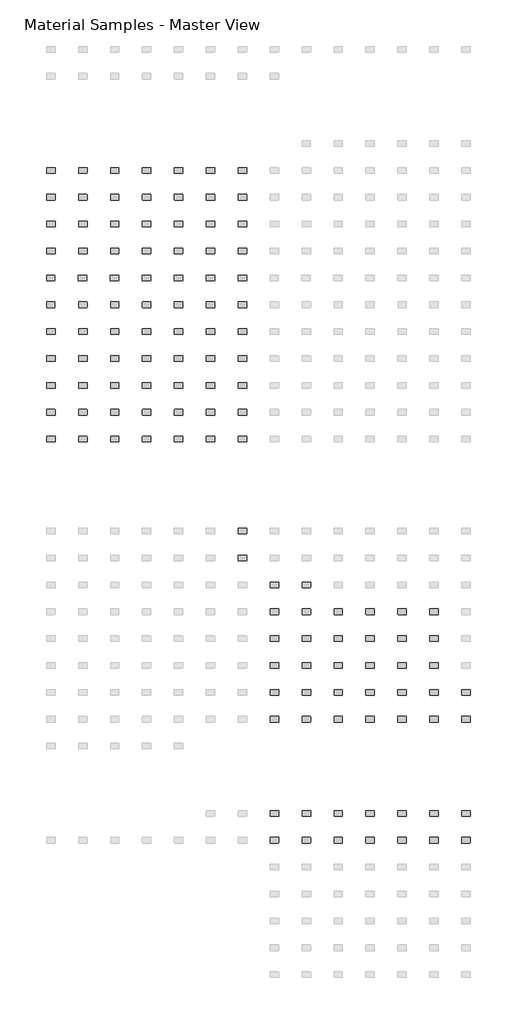
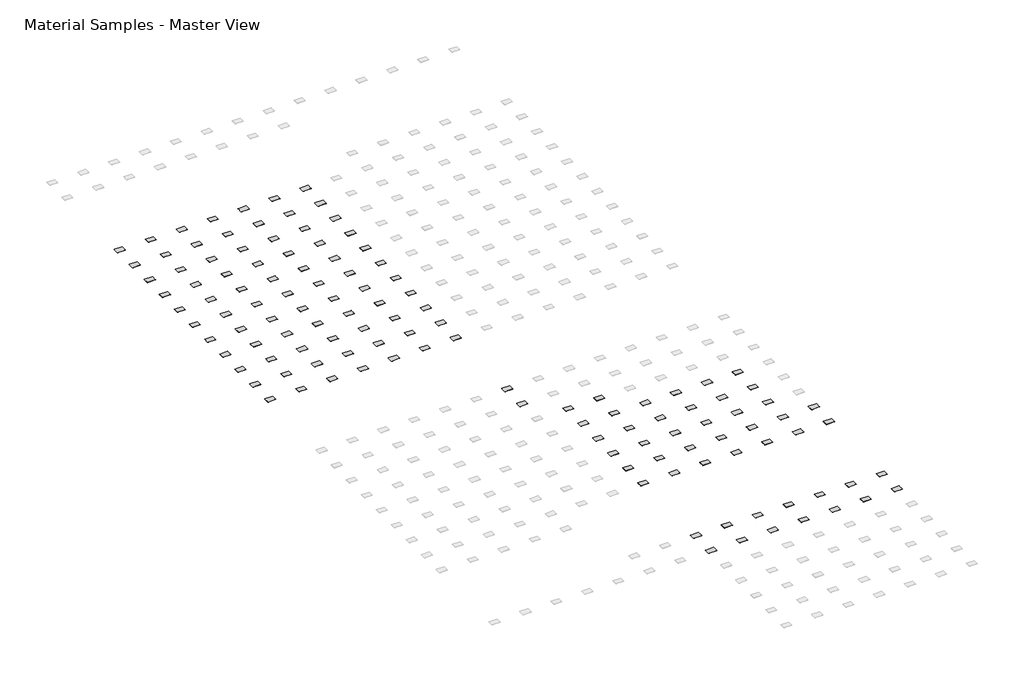
# One storey, part 10 of 12: 127 furniture elements.
"""IFC4 building model written with IfcOpenShell, lengths in millimetres."""

import ifcopenshell
import ifcopenshell.guid

model = None  # the IFC model being written
_history = None  # IfcOwnerHistory: only IFC2X3 demands one
_inside = {}  # id of a spatial element -> (the spatial element, [elements in it])
_under = {}  # id of a project, library or spatial element -> (it, [spatial elements below it])
_declared = {}  # id of a project -> (the project, [libraries it declares])
_typed = {}  # id of a type object -> (the type object, [elements of that type])
_made_of = {}  # id of a material, layer set ... -> (it, [elements and type objects made of it])


def new_model(schema):
    """Start an empty IFC model of exactly this schema.

    Asked for "IFC4X3", IfcOpenShell would pick the latest addendum, in which some entities
    have other attributes; the version numbers below select the first issue.
    IFC2X3 requires an IfcOwnerHistory on every rooted entity: one is made here for all.
    """
    global model, _history
    if schema == "IFC4X3":
        model = ifcopenshell.file(schema_version=(4, 3, 0, 0))
    else:
        model = ifcopenshell.file(schema=schema)
    _inside.clear()
    _under.clear()
    _declared.clear()
    _typed.clear()
    _made_of.clear()
    _history = None
    if model.schema == "IFC2X3":
        org = make("IfcOrganization", Name="unknown")
        user = make(
            "IfcPersonAndOrganization",
            ThePerson=make("IfcPerson", FamilyName="unknown"),
            TheOrganization=org,
        )
        app = make(
            "IfcApplication",
            ApplicationDeveloper=org,
            Version="unknown",
            ApplicationFullName="unknown",
            ApplicationIdentifier="unknown",
        )
        _history = make(
            "IfcOwnerHistory",
            OwningUser=user,
            OwningApplication=app,
            ChangeAction="ADDED",
            CreationDate=0,
        )
    return model


def make(cls, **values):
    """One entity of the class cls with the attributes given. An attribute that is None is left unset."""
    return model.create_entity(
        cls, **{name: value for name, value in values.items() if value is not None}
    )


def rooted(cls, **values):
    """An entity with a GlobalId (a new one), such as an element, a storey or a relation."""
    return make(cls, GlobalId=ifcopenshell.guid.new(), OwnerHistory=_history, **values)


def si_unit(unit_type, name, prefix=None):
    """IfcSIUnit, for example si_unit("LENGTHUNIT", "METRE", prefix="MILLI")."""
    return make("IfcSIUnit", UnitType=unit_type, Prefix=prefix, Name=name)


def assignment(units):
    """IfcUnitAssignment: the units of a project."""
    return None if units is None else make("IfcUnitAssignment", Units=units)


def point(xyz):
    """IfcCartesianPoint."""
    return None if xyz is None else make("IfcCartesianPoint", Coordinates=xyz)


def direction(xyz):
    """IfcDirection."""
    return None if xyz is None else make("IfcDirection", DirectionRatios=xyz)


def frame(location, z_axis=None, x_axis=None):
    """IfcAxis2Placement3D, a coordinate frame: its origin and axes. An axis left out is left unset."""
    return make(
        "IfcAxis2Placement3D",
        Location=point(location),
        Axis=direction(z_axis),
        RefDirection=direction(x_axis),
    )


def frame_2d(location, x_axis=None):
    """IfcAxis2Placement2D, a coordinate frame in the plane: its origin and x axis."""
    return make(
        "IfcAxis2Placement2D", Location=point(location), RefDirection=direction(x_axis)
    )


def origin():
    """The frame at (0, 0, 0) with its axes left unset."""
    return frame((0.0, 0.0, 0.0))


def place(relative_to, where):
    """IfcLocalPlacement: puts the frame where relative to a parent placement (None: the world)."""
    return make(
        "IfcLocalPlacement", PlacementRelTo=relative_to, RelativePlacement=where
    )


def context(
    kind, dimensions, precision=None, world=None, true_north=None, identifier=None
):
    """IfcGeometricRepresentationContext, for example the 3D "Model" context."""
    return make(
        "IfcGeometricRepresentationContext",
        ContextIdentifier=identifier,
        ContextType=kind,
        CoordinateSpaceDimension=dimensions,
        Precision=precision,
        WorldCoordinateSystem=world,
        TrueNorth=true_north,
    )


def project(units=None, contexts=None):
    """IfcProject with its units and contexts."""
    return rooted(
        "IfcProject",
        Name="project",
        RepresentationContexts=contexts,
        UnitsInContext=assignment(units),
    )


def spatial(cls, under=None, at=None, **own):
    """A site, building, storey or space (cls), placed at a placement, below another one or the project."""
    s = rooted(cls, ObjectPlacement=at, **own)
    if under is not None:
        _under.setdefault(under.id(), (under, []))[1].append(s)
    return s


def polyline(points):
    """IfcPolyline through the points."""
    return make("IfcPolyline", Points=[point(p) for p in points])


def circle_curve(where, radius):
    """IfcCircle in the frame where."""
    return make("IfcCircle", Position=where, Radius=radius)


def trimmed(basis, trim1, trim2, sense, master):
    """IfcTrimmedCurve: the piece of a basis curve between two trims."""
    return make(
        "IfcTrimmedCurve",
        BasisCurve=basis,
        Trim1=trim1,
        Trim2=trim2,
        SenseAgreement=sense,
        MasterRepresentation=master,
    )


def segment(curve, same_sense, transition):
    """IfcCompositeCurveSegment."""
    return make(
        "IfcCompositeCurveSegment",
        Transition=transition,
        SameSense=same_sense,
        ParentCurve=curve,
    )


def composite_curve(segments, self_intersect=None):
    """IfcCompositeCurve: segments joined end to end."""
    return make("IfcCompositeCurve", Segments=segments, SelfIntersect=self_intersect)


def outline(outer, holes=None, kind="AREA"):
    """IfcArbitraryClosedProfileDef: a profile drawn as a closed curve; with holes, ...WithVoids."""
    if holes is None:
        return make("IfcArbitraryClosedProfileDef", ProfileType=kind, OuterCurve=outer)
    return make(
        "IfcArbitraryProfileDefWithVoids",
        ProfileType=kind,
        OuterCurve=outer,
        InnerCurves=holes,
    )


def extrude(swept, where, along, depth):
    """IfcExtrudedAreaSolid: the profile swept, set in the frame where, extruded along a direction by depth."""
    return make(
        "IfcExtrudedAreaSolid",
        SweptArea=swept,
        Position=where,
        ExtrudedDirection=direction(along),
        Depth=depth,
    )


def shape(context_of_items, identifier, shape_type, items):
    """IfcShapeRepresentation: the items that make up one representation, for example the "Body"."""
    return make(
        "IfcShapeRepresentation",
        ContextOfItems=context_of_items,
        RepresentationIdentifier=identifier,
        RepresentationType=shape_type,
        Items=items,
    )


def source(mapping_origin, context_of_items, identifier, shape_type, items):
    """IfcRepresentationMap: a shape defined once, which mapped items show again and again."""
    return make(
        "IfcRepresentationMap",
        MappingOrigin=mapping_origin,
        MappedRepresentation=shape(context_of_items, identifier, shape_type, items),
    )


def transform(
    local_origin,
    x_axis=None,
    y_axis=None,
    z_axis=None,
    scale=None,
    scale2=None,
    scale3=None,
    uniform=True,
):
    """IfcCartesianTransformationOperator3D, or its non-uniform kind. x_axis, y_axis, z_axis: its Axis1, 2, 3."""
    if uniform:
        return make(
            "IfcCartesianTransformationOperator3D",
            Axis1=direction(x_axis),
            Axis2=direction(y_axis),
            LocalOrigin=point(local_origin),
            Scale=scale,
            Axis3=direction(z_axis),
        )
    return make(
        "IfcCartesianTransformationOperator3DnonUniform",
        Axis1=direction(x_axis),
        Axis2=direction(y_axis),
        LocalOrigin=point(local_origin),
        Scale=scale,
        Axis3=direction(z_axis),
        Scale2=scale2,
        Scale3=scale3,
    )


def mapped(mapping_source, mapping_target):
    """IfcMappedItem: shows the shape of a source again, moved by a transform."""
    return make(
        "IfcMappedItem", MappingSource=mapping_source, MappingTarget=mapping_target
    )


def made_of(thing, what):
    """Note that an element or type object is made of a material, layer set ...; save() writes the relation."""
    if what is not None:
        _made_of.setdefault(what.id(), (what, []))[1].append(thing)
    return thing


def element(
    cls,
    number,
    at=None,
    inside=None,
    cuts=None,
    type_object=None,
    material=None,
    context=None,
    identifier="Body",
    shape_type=None,
    held_by="IfcProductDefinitionShape",
    body=None,
    shapes=None,
    **own,
):
    """One element of the class cls, such as IfcWall. Its Tag is "e" and its number.

    at: its placement. inside: the storey or other place that contains it. cuts: it is an
    opening in that element (IfcRelVoidsElement). A single representation is given by context,
    identifier, shape_type and body (its items); several are given by shapes. held_by: the class
    of the entity that holds the representations. save() writes the other relations.
    """
    e = rooted(cls, Tag="e%d" % number, ObjectPlacement=at, **own)
    if body is not None:
        shapes = [shape(context, identifier, shape_type, body)]
    if shapes is not None:
        e.Representation = make(held_by, Representations=shapes)
    if inside is not None:
        _inside.setdefault(inside.id(), (inside, []))[1].append(e)
    if cuts is not None:
        rooted(
            "IfcRelVoidsElement", RelatingBuildingElement=cuts, RelatedOpeningElement=e
        )
    if type_object is not None:
        _typed.setdefault(type_object.id(), (type_object, []))[1].append(e)
    return made_of(e, material)


def aggregate(whole, parts):
    """IfcRelAggregates: a whole, such as a stair, and the parts it consists of."""
    return rooted("IfcRelAggregates", RelatingObject=whole, RelatedObjects=parts)


def save(model, path):
    """Write the relations noted so far, then the file.

    IfcRelAggregates (storeys below a building ...), IfcRelContainedInSpatialStructure (elements
    in a storey), IfcRelDefinesByType, IfcRelAssociatesMaterial and IfcRelDeclares: one each for
    every whole, place, type object, material and project.
    """
    for whole, parts in _under.values():
        aggregate(whole, parts)
    for where, things in _inside.values():
        rooted(
            "IfcRelContainedInSpatialStructure",
            RelatedElements=things,
            RelatingStructure=where,
        )
    for kind, things in _typed.values():
        rooted("IfcRelDefinesByType", RelatedObjects=things, RelatingType=kind)
    for what, things in _made_of.values():
        rooted("IfcRelAssociatesMaterial", RelatedObjects=things, RelatingMaterial=what)
    for by, libraries in _declared.values():
        rooted("IfcRelDeclares", RelatingContext=by, RelatedDefinitions=libraries)
    model.write(path)


def furniture_2008_material_sample3_2x3x1_8_96bf408c(model_context):
    return source(origin(), model_context, "Body", "SweptSolid", [
        extrude(outline(composite_curve([segment(trimmed(circle_curve(frame_2d((21215.2392185, 10811.8982463)), 6.35), [point((21215.2392185, 10818.2482463))], [point((21221.5892185, 10811.8982463))], False, "CARTESIAN"), True, "CONTINUOUS"), segment(polyline([(21221.5892185, 10811.8982463), (21221.5892185, 10570.5982463)]), True, "CONTINUOUS"), segment(trimmed(circle_curve(frame_2d((21215.2392185, 10570.5982463)), 6.35), [point((21221.5892185, 10570.5982463))], [point((21215.2392185, 10564.2482463))], False, "CARTESIAN"), True, "CONTINUOUS"), segment(polyline([(21215.2392185, 10564.2482463), (20846.9392185, 10564.2482463)]), True, "CONTINUOUS"), segment(trimmed(circle_curve(frame_2d((20846.9392185, 10570.5982463)), 6.35), [point((20846.9392185, 10564.2482463))], [point((20840.5892185, 10570.5982463))], False, "CARTESIAN"), True, "CONTINUOUS"), segment(polyline([(20840.5892185, 10570.5982463), (20840.5892185, 10811.8982463)]), True, "CONTINUOUS"), segment(trimmed(circle_curve(frame_2d((20846.9392185, 10811.8982463)), 6.35), [point((20840.5892185, 10811.8982463))], [point((20846.9392185, 10818.2482463))], False, "CARTESIAN"), True, "CONTINUOUS"), segment(polyline([(20846.9392185, 10818.2482463), (21215.2392185, 10818.2482463)]), True, "CONTINUOUS")], self_intersect=False)), frame((0.0, 0.0, -3.175), z_axis=(0.0, 0.0, 1.0), x_axis=(1.0, 0.0, 0.0)), (0.0, 0.0, 1.0), 3.175),
    ])


model = new_model("IFC4")

# Units and contexts
model_context = context("Model", 3, world=origin())
ifc_project = project(units=[si_unit("LENGTHUNIT", "METRE", prefix="MILLI")], contexts=[model_context])

# Site, building, storey
site = spatial("IfcSite", under=ifc_project)
building = spatial("IfcBuilding", under=site)
storey = spatial("IfcBuildingStorey", under=building, Name="Material Samples - Master View", Elevation=0.0)

# Furniture
placement = place(None, origin())
furniture_2008_material_sample3_2x3x1_8_shape = furniture_2008_material_sample3_2x3x1_8_96bf408c(model_context)
element("IfcFurniture", 1, ObjectType="2008_Material Sample3 : 2x3x1/8", at=placement, inside=storey, context=model_context, shape_type="MappedRepresentation", body=[
    mapped(furniture_2008_material_sample3_2x3x1_8_shape, transform((-41929.8143121, -419.0275291, 25.4), x_axis=(1.0, 0.0, 0.0), y_axis=(0.0, 1.0, 0.0), z_axis=(0.0, 0.0, 1.0))),
])
element("IfcFurniture", 2, ObjectType="2008_Material Sample3 : 2x3x1/8", at=placement, inside=storey, context=model_context, shape_type="MappedRepresentation", body=[
    mapped(furniture_2008_material_sample3_2x3x1_8_shape, transform((-40482.0143121, -419.0275291, 25.4), x_axis=(1.0, 0.0, 0.0), y_axis=(0.0, 1.0, 0.0), z_axis=(0.0, 0.0, 1.0))),
])
element("IfcFurniture", 3, ObjectType="2008_Material Sample3 : 2x3x1/8", at=placement, inside=storey, context=model_context, shape_type="MappedRepresentation", body=[
    mapped(furniture_2008_material_sample3_2x3x1_8_shape, transform((-39034.2143121, -419.0275291, 25.4), x_axis=(1.0, 0.0, 0.0), y_axis=(0.0, 1.0, 0.0), z_axis=(0.0, 0.0, 1.0))),
])
element("IfcFurniture", 4, ObjectType="2008_Material Sample3 : 2x3x1/8", at=placement, inside=storey, context=model_context, shape_type="MappedRepresentation", body=[
    mapped(furniture_2008_material_sample3_2x3x1_8_shape, transform((-37586.4143121, -419.0275291, 25.4), x_axis=(1.0, 0.0, 0.0), y_axis=(0.0, 1.0, 0.0), z_axis=(0.0, 0.0, 1.0))),
])
element("IfcFurniture", 5, ObjectType="2008_Material Sample3 : 2x3x1/8", at=placement, inside=storey, context=model_context, shape_type="MappedRepresentation", body=[
    mapped(furniture_2008_material_sample3_2x3x1_8_shape, transform((-36138.6143121, -419.0275291, 25.4), x_axis=(1.0, 0.0, 0.0), y_axis=(0.0, 1.0, 0.0), z_axis=(0.0, 0.0, 1.0))),
])
element("IfcFurniture", 6, ObjectType="2008_Material Sample3 : 2x3x1/8", at=placement, inside=storey, context=model_context, shape_type="MappedRepresentation", body=[
    mapped(furniture_2008_material_sample3_2x3x1_8_shape, transform((-34690.8143121, -419.0275291, 25.4), x_axis=(1.0, 0.0, 0.0), y_axis=(0.0, 1.0, 0.0), z_axis=(0.0, 0.0, 1.0))),
])
element("IfcFurniture", 7, ObjectType="2008_Material Sample3 : 2x3x1/8", at=placement, inside=storey, context=model_context, shape_type="MappedRepresentation", body=[
    mapped(furniture_2008_material_sample3_2x3x1_8_shape, transform((-33243.0143121, -419.0275291, 25.4), x_axis=(1.0, 0.0, 0.0), y_axis=(0.0, 1.0, 0.0), z_axis=(0.0, 0.0, 1.0))),
])
element("IfcFurniture", 8, ObjectType="2008_Material Sample3 : 2x3x1/8", at=placement, inside=storey, context=model_context, shape_type="MappedRepresentation", body=[
    mapped(furniture_2008_material_sample3_2x3x1_8_shape, transform((-41929.8143121, -1638.2275291, 25.4), x_axis=(1.0, 0.0, 0.0), y_axis=(0.0, 1.0, 0.0), z_axis=(0.0, 0.0, 1.0))),
])
element("IfcFurniture", 9, ObjectType="2008_Material Sample3 : 2x3x1/8", at=placement, inside=storey, context=model_context, shape_type="MappedRepresentation", body=[
    mapped(furniture_2008_material_sample3_2x3x1_8_shape, transform((-40482.0143121, -1638.2275291, 25.4), x_axis=(1.0, 0.0, 0.0), y_axis=(0.0, 1.0, 0.0), z_axis=(0.0, 0.0, 1.0))),
])
element("IfcFurniture", 10, ObjectType="2008_Material Sample3 : 2x3x1/8", at=placement, inside=storey, context=model_context, shape_type="MappedRepresentation", body=[
    mapped(furniture_2008_material_sample3_2x3x1_8_shape, transform((-39034.2143121, -1638.2275291, 25.4), x_axis=(1.0, 0.0, 0.0), y_axis=(0.0, 1.0, 0.0), z_axis=(0.0, 0.0, 1.0))),
])
element("IfcFurniture", 11, ObjectType="2008_Material Sample3 : 2x3x1/8", at=placement, inside=storey, context=model_context, shape_type="MappedRepresentation", body=[
    mapped(furniture_2008_material_sample3_2x3x1_8_shape, transform((-37586.4143121, -1638.2275291, 25.4), x_axis=(1.0, 0.0, 0.0), y_axis=(0.0, 1.0, 0.0), z_axis=(0.0, 0.0, 1.0))),
])
element("IfcFurniture", 12, ObjectType="2008_Material Sample3 : 2x3x1/8", at=placement, inside=storey, context=model_context, shape_type="MappedRepresentation", body=[
    mapped(furniture_2008_material_sample3_2x3x1_8_shape, transform((-36138.6143121, -1638.2275291, 25.4), x_axis=(1.0, 0.0, 0.0), y_axis=(0.0, 1.0, 0.0), z_axis=(0.0, 0.0, 1.0))),
])
element("IfcFurniture", 13, ObjectType="2008_Material Sample3 : 2x3x1/8", at=placement, inside=storey, context=model_context, shape_type="MappedRepresentation", body=[
    mapped(furniture_2008_material_sample3_2x3x1_8_shape, transform((-34690.8143121, -1638.2275291, 25.4), x_axis=(1.0, 0.0, 0.0), y_axis=(0.0, 1.0, 0.0), z_axis=(0.0, 0.0, 1.0))),
])
element("IfcFurniture", 14, ObjectType="2008_Material Sample3 : 2x3x1/8", at=placement, inside=storey, context=model_context, shape_type="MappedRepresentation", body=[
    mapped(furniture_2008_material_sample3_2x3x1_8_shape, transform((-33243.0143121, -1638.2275291, 25.4), x_axis=(1.0, 0.0, 0.0), y_axis=(0.0, 1.0, 0.0), z_axis=(0.0, 0.0, 1.0))),
])
element("IfcFurniture", 15, ObjectType="2008_Material Sample3 : 2x3x1/8", at=placement, inside=storey, context=model_context, shape_type="MappedRepresentation", body=[
    mapped(furniture_2008_material_sample3_2x3x1_8_shape, transform((-41929.8143121, -2857.4275291, 25.4), x_axis=(1.0, 0.0, 0.0), y_axis=(0.0, 1.0, 0.0), z_axis=(0.0, 0.0, 1.0))),
])
element("IfcFurniture", 16, ObjectType="2008_Material Sample3 : 2x3x1/8", at=placement, inside=storey, context=model_context, shape_type="MappedRepresentation", body=[
    mapped(furniture_2008_material_sample3_2x3x1_8_shape, transform((-40482.0143121, -2857.4275291, 25.4), x_axis=(1.0, 0.0, 0.0), y_axis=(0.0, 1.0, 0.0), z_axis=(0.0, 0.0, 1.0))),
])
element("IfcFurniture", 17, ObjectType="2008_Material Sample3 : 2x3x1/8", at=placement, inside=storey, context=model_context, shape_type="MappedRepresentation", body=[
    mapped(furniture_2008_material_sample3_2x3x1_8_shape, transform((-39034.2143121, -2857.4275291, 25.4), x_axis=(1.0, 0.0, 0.0), y_axis=(0.0, 1.0, 0.0), z_axis=(0.0, 0.0, 1.0))),
])
element("IfcFurniture", 18, ObjectType="2008_Material Sample3 : 2x3x1/8", at=placement, inside=storey, context=model_context, shape_type="MappedRepresentation", body=[
    mapped(furniture_2008_material_sample3_2x3x1_8_shape, transform((-37586.4143121, -2857.4275291, 25.4), x_axis=(1.0, 0.0, 0.0), y_axis=(0.0, 1.0, 0.0), z_axis=(0.0, 0.0, 1.0))),
])
element("IfcFurniture", 19, ObjectType="2008_Material Sample3 : 2x3x1/8", at=placement, inside=storey, context=model_context, shape_type="MappedRepresentation", body=[
    mapped(furniture_2008_material_sample3_2x3x1_8_shape, transform((-36138.6143121, -2857.4275291, 25.4), x_axis=(1.0, 0.0, 0.0), y_axis=(0.0, 1.0, 0.0), z_axis=(0.0, 0.0, 1.0))),
])
element("IfcFurniture", 20, ObjectType="2008_Material Sample3 : 2x3x1/8", at=placement, inside=storey, context=model_context, shape_type="MappedRepresentation", body=[
    mapped(furniture_2008_material_sample3_2x3x1_8_shape, transform((-34690.8143121, -2857.4275291, 25.4), x_axis=(1.0, 0.0, 0.0), y_axis=(0.0, 1.0, 0.0), z_axis=(0.0, 0.0, 1.0))),
])
element("IfcFurniture", 21, ObjectType="2008_Material Sample3 : 2x3x1/8", at=placement, inside=storey, context=model_context, shape_type="MappedRepresentation", body=[
    mapped(furniture_2008_material_sample3_2x3x1_8_shape, transform((-33243.0143121, -2857.4275291, 25.4), x_axis=(1.0, 0.0, 0.0), y_axis=(0.0, 1.0, 0.0), z_axis=(0.0, 0.0, 1.0))),
])
element("IfcFurniture", 22, ObjectType="2008_Material Sample3 : 2x3x1/8", at=placement, inside=storey, context=model_context, shape_type="MappedRepresentation", body=[
    mapped(furniture_2008_material_sample3_2x3x1_8_shape, transform((-41929.8143121, -4076.6275291, 25.4), x_axis=(1.0, 0.0, 0.0), y_axis=(0.0, 1.0, 0.0), z_axis=(0.0, 0.0, 1.0))),
])
element("IfcFurniture", 23, ObjectType="2008_Material Sample3 : 2x3x1/8", at=placement, inside=storey, context=model_context, shape_type="MappedRepresentation", body=[
    mapped(furniture_2008_material_sample3_2x3x1_8_shape, transform((-40482.0143121, -4076.6275291, 25.4), x_axis=(1.0, 0.0, 0.0), y_axis=(0.0, 1.0, 0.0), z_axis=(0.0, 0.0, 1.0))),
])
element("IfcFurniture", 24, ObjectType="2008_Material Sample3 : 2x3x1/8", at=placement, inside=storey, context=model_context, shape_type="MappedRepresentation", body=[
    mapped(furniture_2008_material_sample3_2x3x1_8_shape, transform((-39034.2143121, -4076.6275291, 25.4), x_axis=(1.0, 0.0, 0.0), y_axis=(0.0, 1.0, 0.0), z_axis=(0.0, 0.0, 1.0))),
])
element("IfcFurniture", 25, ObjectType="2008_Material Sample3 : 2x3x1/8", at=placement, inside=storey, context=model_context, shape_type="MappedRepresentation", body=[
    mapped(furniture_2008_material_sample3_2x3x1_8_shape, transform((-37586.4143121, -4076.6275291, 25.4), x_axis=(1.0, 0.0, 0.0), y_axis=(0.0, 1.0, 0.0), z_axis=(0.0, 0.0, 1.0))),
])
element("IfcFurniture", 26, ObjectType="2008_Material Sample3 : 2x3x1/8", at=placement, inside=storey, context=model_context, shape_type="MappedRepresentation", body=[
    mapped(furniture_2008_material_sample3_2x3x1_8_shape, transform((-36138.6143121, -4076.6275291, 25.4), x_axis=(1.0, 0.0, 0.0), y_axis=(0.0, 1.0, 0.0), z_axis=(0.0, 0.0, 1.0))),
])
element("IfcFurniture", 27, ObjectType="2008_Material Sample3 : 2x3x1/8", at=placement, inside=storey, context=model_context, shape_type="MappedRepresentation", body=[
    mapped(furniture_2008_material_sample3_2x3x1_8_shape, transform((-34690.8143121, -4076.6275291, 25.4), x_axis=(1.0, 0.0, 0.0), y_axis=(0.0, 1.0, 0.0), z_axis=(0.0, 0.0, 1.0))),
])
element("IfcFurniture", 28, ObjectType="2008_Material Sample3 : 2x3x1/8", at=placement, inside=storey, context=model_context, shape_type="MappedRepresentation", body=[
    mapped(furniture_2008_material_sample3_2x3x1_8_shape, transform((-33243.0143121, -4076.6275291, 25.4), x_axis=(1.0, 0.0, 0.0), y_axis=(0.0, 1.0, 0.0), z_axis=(0.0, 0.0, 1.0))),
])
element("IfcFurniture", 29, ObjectType="2008_Material Sample3 : 2x3x1/8", at=placement, inside=storey, context=model_context, shape_type="MappedRepresentation", body=[
    mapped(furniture_2008_material_sample3_2x3x1_8_shape, transform((-41936.1643121, -5295.8275291, 25.4), x_axis=(1.0, 0.0, 0.0), y_axis=(0.0, 1.0, 0.0), z_axis=(0.0, 0.0, 1.0))),
])
element("IfcFurniture", 30, ObjectType="2008_Material Sample3 : 2x3x1/8", at=placement, inside=storey, context=model_context, shape_type="MappedRepresentation", body=[
    mapped(furniture_2008_material_sample3_2x3x1_8_shape, transform((-40488.3643121, -5295.8275291, 25.4), x_axis=(1.0, 0.0, 0.0), y_axis=(0.0, 1.0, 0.0), z_axis=(0.0, 0.0, 1.0))),
])
element("IfcFurniture", 31, ObjectType="2008_Material Sample3 : 2x3x1/8", at=placement, inside=storey, context=model_context, shape_type="MappedRepresentation", body=[
    mapped(furniture_2008_material_sample3_2x3x1_8_shape, transform((-39040.5643121, -5295.8275291, 25.4), x_axis=(1.0, 0.0, 0.0), y_axis=(0.0, 1.0, 0.0), z_axis=(0.0, 0.0, 1.0))),
])
element("IfcFurniture", 32, ObjectType="2008_Material Sample3 : 2x3x1/8", at=placement, inside=storey, context=model_context, shape_type="MappedRepresentation", body=[
    mapped(furniture_2008_material_sample3_2x3x1_8_shape, transform((-37592.7643121, -5295.8275291, 25.4), x_axis=(1.0, 0.0, 0.0), y_axis=(0.0, 1.0, 0.0), z_axis=(0.0, 0.0, 1.0))),
])
element("IfcFurniture", 33, ObjectType="2008_Material Sample3 : 2x3x1/8", at=placement, inside=storey, context=model_context, shape_type="MappedRepresentation", body=[
    mapped(furniture_2008_material_sample3_2x3x1_8_shape, transform((-36144.9643121, -5295.8275291, 25.4), x_axis=(1.0, 0.0, 0.0), y_axis=(0.0, 1.0, 0.0), z_axis=(0.0, 0.0, 1.0))),
])
element("IfcFurniture", 34, ObjectType="2008_Material Sample3 : 2x3x1/8", at=placement, inside=storey, context=model_context, shape_type="MappedRepresentation", body=[
    mapped(furniture_2008_material_sample3_2x3x1_8_shape, transform((-34697.1643121, -5295.8275291, 25.4), x_axis=(1.0, 0.0, 0.0), y_axis=(0.0, 1.0, 0.0), z_axis=(0.0, 0.0, 1.0))),
])
element("IfcFurniture", 35, ObjectType="2008_Material Sample3 : 2x3x1/8", at=placement, inside=storey, context=model_context, shape_type="MappedRepresentation", body=[
    mapped(furniture_2008_material_sample3_2x3x1_8_shape, transform((-33249.3643121, -5295.8275291, 25.4), x_axis=(1.0, 0.0, 0.0), y_axis=(0.0, 1.0, 0.0), z_axis=(0.0, 0.0, 1.0))),
])
element("IfcFurniture", 36, ObjectType="2008_Material Sample3 : 2x3x1/8", at=placement, inside=storey, context=model_context, shape_type="MappedRepresentation", body=[
    mapped(furniture_2008_material_sample3_2x3x1_8_shape, transform((-41936.2750935, -6515.0275291, 25.4), x_axis=(1.0, 0.0, 0.0), y_axis=(0.0, 1.0, 0.0), z_axis=(0.0, 0.0, 1.0))),
])
element("IfcFurniture", 37, ObjectType="2008_Material Sample3 : 2x3x1/8", at=placement, inside=storey, context=model_context, shape_type="MappedRepresentation", body=[
    mapped(furniture_2008_material_sample3_2x3x1_8_shape, transform((-40482.0143121, -6515.0275291, 25.4), x_axis=(1.0, 0.0, 0.0), y_axis=(0.0, 1.0, 0.0), z_axis=(0.0, 0.0, 1.0))),
])
element("IfcFurniture", 38, ObjectType="2008_Material Sample3 : 2x3x1/8", at=placement, inside=storey, context=model_context, shape_type="MappedRepresentation", body=[
    mapped(furniture_2008_material_sample3_2x3x1_8_shape, transform((-39034.2143121, -6515.0275291, 25.4), x_axis=(1.0, 0.0, 0.0), y_axis=(0.0, 1.0, 0.0), z_axis=(0.0, 0.0, 1.0))),
])
element("IfcFurniture", 39, ObjectType="2008_Material Sample3 : 2x3x1/8", at=placement, inside=storey, context=model_context, shape_type="MappedRepresentation", body=[
    mapped(furniture_2008_material_sample3_2x3x1_8_shape, transform((-37586.4143121, -6515.0275291, 25.4), x_axis=(1.0, 0.0, 0.0), y_axis=(0.0, 1.0, 0.0), z_axis=(0.0, 0.0, 1.0))),
])
element("IfcFurniture", 40, ObjectType="2008_Material Sample3 : 2x3x1/8", at=placement, inside=storey, context=model_context, shape_type="MappedRepresentation", body=[
    mapped(furniture_2008_material_sample3_2x3x1_8_shape, transform((-36138.6143121, -6515.0275291, 25.4), x_axis=(1.0, 0.0, 0.0), y_axis=(0.0, 1.0, 0.0), z_axis=(0.0, 0.0, 1.0))),
])
element("IfcFurniture", 41, ObjectType="2008_Material Sample3 : 2x3x1/8", at=placement, inside=storey, context=model_context, shape_type="MappedRepresentation", body=[
    mapped(furniture_2008_material_sample3_2x3x1_8_shape, transform((-34690.8143121, -6515.0275291, 25.4), x_axis=(1.0, 0.0, 0.0), y_axis=(0.0, 1.0, 0.0), z_axis=(0.0, 0.0, 1.0))),
])
element("IfcFurniture", 42, ObjectType="2008_Material Sample3 : 2x3x1/8", at=placement, inside=storey, context=model_context, shape_type="MappedRepresentation", body=[
    mapped(furniture_2008_material_sample3_2x3x1_8_shape, transform((-33243.0143121, -6515.0275291, 25.4), x_axis=(1.0, 0.0, 0.0), y_axis=(0.0, 1.0, 0.0), z_axis=(0.0, 0.0, 1.0))),
])
element("IfcFurniture", 43, ObjectType="2008_Material Sample3 : 2x3x1/8", at=placement, inside=storey, context=model_context, shape_type="MappedRepresentation", body=[
    mapped(furniture_2008_material_sample3_2x3x1_8_shape, transform((-41929.8143121, -7734.2275291, 25.4), x_axis=(1.0, 0.0, 0.0), y_axis=(0.0, 1.0, 0.0), z_axis=(0.0, 0.0, 1.0))),
])
element("IfcFurniture", 44, ObjectType="2008_Material Sample3 : 2x3x1/8", at=placement, inside=storey, context=model_context, shape_type="MappedRepresentation", body=[
    mapped(furniture_2008_material_sample3_2x3x1_8_shape, transform((-40482.0143121, -7734.2275291, 25.4), x_axis=(1.0, 0.0, 0.0), y_axis=(0.0, 1.0, 0.0), z_axis=(0.0, 0.0, 1.0))),
])
element("IfcFurniture", 45, ObjectType="2008_Material Sample3 : 2x3x1/8", at=placement, inside=storey, context=model_context, shape_type="MappedRepresentation", body=[
    mapped(furniture_2008_material_sample3_2x3x1_8_shape, transform((-39034.2143121, -7734.2275291, 25.4), x_axis=(1.0, 0.0, 0.0), y_axis=(0.0, 1.0, 0.0), z_axis=(0.0, 0.0, 1.0))),
])
element("IfcFurniture", 46, ObjectType="2008_Material Sample3 : 2x3x1/8", at=placement, inside=storey, context=model_context, shape_type="MappedRepresentation", body=[
    mapped(furniture_2008_material_sample3_2x3x1_8_shape, transform((-37586.4143121, -7734.2275291, 25.4), x_axis=(1.0, 0.0, 0.0), y_axis=(0.0, 1.0, 0.0), z_axis=(0.0, 0.0, 1.0))),
])
element("IfcFurniture", 47, ObjectType="2008_Material Sample3 : 2x3x1/8", at=placement, inside=storey, context=model_context, shape_type="MappedRepresentation", body=[
    mapped(furniture_2008_material_sample3_2x3x1_8_shape, transform((-36138.6143121, -7734.2275291, 25.4), x_axis=(1.0, 0.0, 0.0), y_axis=(0.0, 1.0, 0.0), z_axis=(0.0, 0.0, 1.0))),
])
element("IfcFurniture", 48, ObjectType="2008_Material Sample3 : 2x3x1/8", at=placement, inside=storey, context=model_context, shape_type="MappedRepresentation", body=[
    mapped(furniture_2008_material_sample3_2x3x1_8_shape, transform((-34690.8143121, -7734.2275291, 25.4), x_axis=(1.0, 0.0, 0.0), y_axis=(0.0, 1.0, 0.0), z_axis=(0.0, 0.0, 1.0))),
])
element("IfcFurniture", 49, ObjectType="2008_Material Sample3 : 2x3x1/8", at=placement, inside=storey, context=model_context, shape_type="MappedRepresentation", body=[
    mapped(furniture_2008_material_sample3_2x3x1_8_shape, transform((-33243.0143121, -7734.2275291, 25.4), x_axis=(1.0, 0.0, 0.0), y_axis=(0.0, 1.0, 0.0), z_axis=(0.0, 0.0, 1.0))),
])
element("IfcFurniture", 50, ObjectType="2008_Material Sample3 : 2x3x1/8", at=placement, inside=storey, context=model_context, shape_type="MappedRepresentation", body=[
    mapped(furniture_2008_material_sample3_2x3x1_8_shape, transform((-40482.0143121, -8953.4275291, 25.4), x_axis=(1.0, 0.0, 0.0), y_axis=(0.0, 1.0, 0.0), z_axis=(0.0, 0.0, 1.0))),
])
element("IfcFurniture", 51, ObjectType="2008_Material Sample3 : 2x3x1/8", at=placement, inside=storey, context=model_context, shape_type="MappedRepresentation", body=[
    mapped(furniture_2008_material_sample3_2x3x1_8_shape, transform((-39034.2143121, -8953.4275291, 25.4), x_axis=(1.0, 0.0, 0.0), y_axis=(0.0, 1.0, 0.0), z_axis=(0.0, 0.0, 1.0))),
])
element("IfcFurniture", 52, ObjectType="2008_Material Sample3 : 2x3x1/8", at=placement, inside=storey, context=model_context, shape_type="MappedRepresentation", body=[
    mapped(furniture_2008_material_sample3_2x3x1_8_shape, transform((-37586.4143121, -8953.4275291, 25.4), x_axis=(1.0, 0.0, 0.0), y_axis=(0.0, 1.0, 0.0), z_axis=(0.0, 0.0, 1.0))),
])
element("IfcFurniture", 53, ObjectType="2008_Material Sample3 : 2x3x1/8", at=placement, inside=storey, context=model_context, shape_type="MappedRepresentation", body=[
    mapped(furniture_2008_material_sample3_2x3x1_8_shape, transform((-36138.6143121, -8953.4275291, 25.4), x_axis=(1.0, 0.0, 0.0), y_axis=(0.0, 1.0, 0.0), z_axis=(0.0, 0.0, 1.0))),
])
element("IfcFurniture", 54, ObjectType="2008_Material Sample3 : 2x3x1/8", at=placement, inside=storey, context=model_context, shape_type="MappedRepresentation", body=[
    mapped(furniture_2008_material_sample3_2x3x1_8_shape, transform((-34690.8143121, -8953.4275291, 25.4), x_axis=(1.0, 0.0, 0.0), y_axis=(0.0, 1.0, 0.0), z_axis=(0.0, 0.0, 1.0))),
])
element("IfcFurniture", 55, ObjectType="2008_Material Sample3 : 2x3x1/8", at=placement, inside=storey, context=model_context, shape_type="MappedRepresentation", body=[
    mapped(furniture_2008_material_sample3_2x3x1_8_shape, transform((-33243.0143121, -8953.4275291, 25.4), x_axis=(1.0, 0.0, 0.0), y_axis=(0.0, 1.0, 0.0), z_axis=(0.0, 0.0, 1.0))),
])
element("IfcFurniture", 56, ObjectType="2008_Material Sample3 : 2x3x1/8", at=placement, inside=storey, context=model_context, shape_type="MappedRepresentation", body=[
    mapped(furniture_2008_material_sample3_2x3x1_8_shape, transform((-41929.8143121, -10172.6275291, 25.4), x_axis=(1.0, 0.0, 0.0), y_axis=(0.0, 1.0, 0.0), z_axis=(0.0, 0.0, 1.0))),
])
element("IfcFurniture", 57, ObjectType="2008_Material Sample3 : 2x3x1/8", at=placement, inside=storey, context=model_context, shape_type="MappedRepresentation", body=[
    mapped(furniture_2008_material_sample3_2x3x1_8_shape, transform((-40482.0143121, -10172.6275291, 25.4), x_axis=(1.0, 0.0, 0.0), y_axis=(0.0, 1.0, 0.0), z_axis=(0.0, 0.0, 1.0))),
])
element("IfcFurniture", 58, ObjectType="2008_Material Sample3 : 2x3x1/8", at=placement, inside=storey, context=model_context, shape_type="MappedRepresentation", body=[
    mapped(furniture_2008_material_sample3_2x3x1_8_shape, transform((-39034.2143121, -10172.6275291, 25.4), x_axis=(1.0, 0.0, 0.0), y_axis=(0.0, 1.0, 0.0), z_axis=(0.0, 0.0, 1.0))),
])
element("IfcFurniture", 59, ObjectType="2008_Material Sample3 : 2x3x1/8", at=placement, inside=storey, context=model_context, shape_type="MappedRepresentation", body=[
    mapped(furniture_2008_material_sample3_2x3x1_8_shape, transform((-37586.4143121, -10172.6275291, 25.4), x_axis=(1.0, 0.0, 0.0), y_axis=(0.0, 1.0, 0.0), z_axis=(0.0, 0.0, 1.0))),
])
element("IfcFurniture", 60, ObjectType="2008_Material Sample3 : 2x3x1/8", at=placement, inside=storey, context=model_context, shape_type="MappedRepresentation", body=[
    mapped(furniture_2008_material_sample3_2x3x1_8_shape, transform((-36138.6143121, -10172.6275291, 25.4), x_axis=(1.0, 0.0, 0.0), y_axis=(0.0, 1.0, 0.0), z_axis=(0.0, 0.0, 1.0))),
])
element("IfcFurniture", 61, ObjectType="2008_Material Sample3 : 2x3x1/8", at=placement, inside=storey, context=model_context, shape_type="MappedRepresentation", body=[
    mapped(furniture_2008_material_sample3_2x3x1_8_shape, transform((-34690.8143121, -10172.6275291, 25.4), x_axis=(1.0, 0.0, 0.0), y_axis=(0.0, 1.0, 0.0), z_axis=(0.0, 0.0, 1.0))),
])
element("IfcFurniture", 62, ObjectType="2008_Material Sample3 : 2x3x1/8", at=placement, inside=storey, context=model_context, shape_type="MappedRepresentation", body=[
    mapped(furniture_2008_material_sample3_2x3x1_8_shape, transform((-33243.0143121, -10172.6275291, 25.4), x_axis=(1.0, 0.0, 0.0), y_axis=(0.0, 1.0, 0.0), z_axis=(0.0, 0.0, 1.0))),
])
element("IfcFurniture", 63, ObjectType="2008_Material Sample3 : 2x3x1/8", at=placement, inside=storey, context=model_context, shape_type="MappedRepresentation", body=[
    mapped(furniture_2008_material_sample3_2x3x1_8_shape, transform((-41929.8143121, -11391.8275291, 25.4), x_axis=(1.0, 0.0, 0.0), y_axis=(0.0, 1.0, 0.0), z_axis=(0.0, 0.0, 1.0))),
])
element("IfcFurniture", 64, ObjectType="2008_Material Sample3 : 2x3x1/8", at=placement, inside=storey, context=model_context, shape_type="MappedRepresentation", body=[
    mapped(furniture_2008_material_sample3_2x3x1_8_shape, transform((-40482.0143121, -11391.8275291, 25.4), x_axis=(1.0, 0.0, 0.0), y_axis=(0.0, 1.0, 0.0), z_axis=(0.0, 0.0, 1.0))),
])
element("IfcFurniture", 65, ObjectType="2008_Material Sample3 : 2x3x1/8", at=placement, inside=storey, context=model_context, shape_type="MappedRepresentation", body=[
    mapped(furniture_2008_material_sample3_2x3x1_8_shape, transform((-39034.2143121, -11391.8275291, 25.4), x_axis=(1.0, 0.0, 0.0), y_axis=(0.0, 1.0, 0.0), z_axis=(0.0, 0.0, 1.0))),
])
element("IfcFurniture", 66, ObjectType="2008_Material Sample3 : 2x3x1/8", at=placement, inside=storey, context=model_context, shape_type="MappedRepresentation", body=[
    mapped(furniture_2008_material_sample3_2x3x1_8_shape, transform((-37586.4143121, -11391.8275291, 25.4), x_axis=(1.0, 0.0, 0.0), y_axis=(0.0, 1.0, 0.0), z_axis=(0.0, 0.0, 1.0))),
])
element("IfcFurniture", 67, ObjectType="2008_Material Sample3 : 2x3x1/8", at=placement, inside=storey, context=model_context, shape_type="MappedRepresentation", body=[
    mapped(furniture_2008_material_sample3_2x3x1_8_shape, transform((-36138.6143121, -11391.8275291, 25.4), x_axis=(1.0, 0.0, 0.0), y_axis=(0.0, 1.0, 0.0), z_axis=(0.0, 0.0, 1.0))),
])
element("IfcFurniture", 68, ObjectType="2008_Material Sample3 : 2x3x1/8", at=placement, inside=storey, context=model_context, shape_type="MappedRepresentation", body=[
    mapped(furniture_2008_material_sample3_2x3x1_8_shape, transform((-34690.8143121, -11391.8275291, 25.4), x_axis=(1.0, 0.0, 0.0), y_axis=(0.0, 1.0, 0.0), z_axis=(0.0, 0.0, 1.0))),
])
element("IfcFurniture", 69, ObjectType="2008_Material Sample3 : 2x3x1/8", at=placement, inside=storey, context=model_context, shape_type="MappedRepresentation", body=[
    mapped(furniture_2008_material_sample3_2x3x1_8_shape, transform((-33243.0143121, -11391.8275291, 25.4), x_axis=(1.0, 0.0, 0.0), y_axis=(0.0, 1.0, 0.0), z_axis=(0.0, 0.0, 1.0))),
])
element("IfcFurniture", 70, ObjectType="2008_Material Sample3 : 2x3x1/8", at=placement, inside=storey, context=model_context, shape_type="MappedRepresentation", body=[
    mapped(furniture_2008_material_sample3_2x3x1_8_shape, transform((-40481.9035306, -12611.0275291, 25.4), x_axis=(1.0, 0.0, 0.0), y_axis=(0.0, 1.0, 0.0), z_axis=(0.0, 0.0, 1.0))),
])
element("IfcFurniture", 71, ObjectType="2008_Material Sample3 : 2x3x1/8", at=placement, inside=storey, context=model_context, shape_type="MappedRepresentation", body=[
    mapped(furniture_2008_material_sample3_2x3x1_8_shape, transform((-39034.1035306, -12611.0275291, 25.4), x_axis=(1.0, 0.0, 0.0), y_axis=(0.0, 1.0, 0.0), z_axis=(0.0, 0.0, 1.0))),
])
element("IfcFurniture", 72, ObjectType="2008_Material Sample3 : 2x3x1/8", at=placement, inside=storey, context=model_context, shape_type="MappedRepresentation", body=[
    mapped(furniture_2008_material_sample3_2x3x1_8_shape, transform((-37586.3035306, -12611.0275291, 25.4), x_axis=(1.0, 0.0, 0.0), y_axis=(0.0, 1.0, 0.0), z_axis=(0.0, 0.0, 1.0))),
])
element("IfcFurniture", 73, ObjectType="2008_Material Sample3 : 2x3x1/8", at=placement, inside=storey, context=model_context, shape_type="MappedRepresentation", body=[
    mapped(furniture_2008_material_sample3_2x3x1_8_shape, transform((-36138.5035306, -12611.0275291, 25.4), x_axis=(1.0, 0.0, 0.0), y_axis=(0.0, 1.0, 0.0), z_axis=(0.0, 0.0, 1.0))),
])
element("IfcFurniture", 74, ObjectType="2008_Material Sample3 : 2x3x1/8", at=placement, inside=storey, context=model_context, shape_type="MappedRepresentation", body=[
    mapped(furniture_2008_material_sample3_2x3x1_8_shape, transform((-34690.7035306, -12611.0275291, 25.4), x_axis=(1.0, 0.0, 0.0), y_axis=(0.0, 1.0, 0.0), z_axis=(0.0, 0.0, 1.0))),
])
element("IfcFurniture", 75, ObjectType="2008_Material Sample3 : 2x3x1/8", at=placement, inside=storey, context=model_context, shape_type="MappedRepresentation", body=[
    mapped(furniture_2008_material_sample3_2x3x1_8_shape, transform((-33242.9035306, -12611.0275291, 25.4), x_axis=(1.0, 0.0, 0.0), y_axis=(0.0, 1.0, 0.0), z_axis=(0.0, 0.0, 1.0))),
])
element("IfcFurniture", 76, ObjectType="2008_Material Sample3 : 2x3x1/8", at=placement, inside=storey, context=model_context, shape_type="MappedRepresentation", body=[
    mapped(furniture_2008_material_sample3_2x3x1_8_shape, transform((-41929.7035306, -12611.0275291, 25.4), x_axis=(1.0, 0.0, 0.0), y_axis=(0.0, 1.0, 0.0), z_axis=(0.0, 0.0, 1.0))),
])
element("IfcFurniture", 77, ObjectType="2008_Material Sample3 : 2x3x1/8", at=placement, inside=storey, context=model_context, shape_type="MappedRepresentation", body=[
    mapped(furniture_2008_material_sample3_2x3x1_8_shape, transform((-41929.8143121, -8953.4275291, 25.4), x_axis=(1.0, 0.0, 0.0), y_axis=(0.0, 1.0, 0.0), z_axis=(0.0, 0.0, 1.0))),
])
element("IfcFurniture", 78, ObjectType="2008_Material Sample4 : 2x3x1/8", at=placement, inside=storey, context=model_context, shape_type="MappedRepresentation", body=[
    mapped(furniture_2008_material_sample3_2x3x1_8_shape, transform((-33242.9035306, -16776.6275291, 25.4), x_axis=(1.0, 0.0, 0.0), y_axis=(0.0, 1.0, 0.0), z_axis=(0.0, 0.0, 1.0))),
])
element("IfcFurniture", 79, ObjectType="2008_Material Sample4 : 2x3x1/8", at=placement, inside=storey, context=model_context, shape_type="MappedRepresentation", body=[
    mapped(furniture_2008_material_sample3_2x3x1_8_shape, transform((-33242.9035306, -17995.8275291, 25.4), x_axis=(1.0, 0.0, 0.0), y_axis=(0.0, 1.0, 0.0), z_axis=(0.0, 0.0, 1.0))),
])
element("IfcFurniture", 80, ObjectType="2008_Material Sample4 : 2x3x1/8", at=placement, inside=storey, context=model_context, shape_type="MappedRepresentation", body=[
    mapped(furniture_2008_material_sample3_2x3x1_8_shape, transform((-31795.1035306, -19215.0275291, 25.4), x_axis=(1.0, 0.0, 0.0), y_axis=(0.0, 1.0, 0.0), z_axis=(0.0, 0.0, 1.0))),
])
element("IfcFurniture", 81, ObjectType="2008_Material Sample4 : 2x3x1/8", at=placement, inside=storey, context=model_context, shape_type="MappedRepresentation", body=[
    mapped(furniture_2008_material_sample3_2x3x1_8_shape, transform((-30347.3035306, -19215.0275291, 25.4), x_axis=(1.0, 0.0, 0.0), y_axis=(0.0, 1.0, 0.0), z_axis=(0.0, 0.0, 1.0))),
])
element("IfcFurniture", 82, ObjectType="2008_Material Sample4 : 2x3x1/8", at=placement, inside=storey, context=model_context, shape_type="MappedRepresentation", body=[
    mapped(furniture_2008_material_sample3_2x3x1_8_shape, transform((-31795.1035306, -20434.2275291, 25.4), x_axis=(1.0, 0.0, 0.0), y_axis=(0.0, 1.0, 0.0), z_axis=(0.0, 0.0, 1.0))),
])
element("IfcFurniture", 83, ObjectType="2008_Material Sample4 : 2x3x1/8", at=placement, inside=storey, context=model_context, shape_type="MappedRepresentation", body=[
    mapped(furniture_2008_material_sample3_2x3x1_8_shape, transform((-30347.3035306, -20434.2275291, 25.4), x_axis=(1.0, 0.0, 0.0), y_axis=(0.0, 1.0, 0.0), z_axis=(0.0, 0.0, 1.0))),
])
element("IfcFurniture", 84, ObjectType="2008_Material Sample4 : 2x3x1/8", at=placement, inside=storey, context=model_context, shape_type="MappedRepresentation", body=[
    mapped(furniture_2008_material_sample3_2x3x1_8_shape, transform((-28899.5035306, -20434.2275291, 25.4), x_axis=(1.0, 0.0, 0.0), y_axis=(0.0, 1.0, 0.0), z_axis=(0.0, 0.0, 1.0))),
])
element("IfcFurniture", 85, ObjectType="2008_Material Sample4 : 2x3x1/8", at=placement, inside=storey, context=model_context, shape_type="MappedRepresentation", body=[
    mapped(furniture_2008_material_sample3_2x3x1_8_shape, transform((-27451.7035306, -20434.2275291, 25.4), x_axis=(1.0, 0.0, 0.0), y_axis=(0.0, 1.0, 0.0), z_axis=(0.0, 0.0, 1.0))),
])
element("IfcFurniture", 86, ObjectType="2008_Material Sample4 : 2x3x1/8", at=placement, inside=storey, context=model_context, shape_type="MappedRepresentation", body=[
    mapped(furniture_2008_material_sample3_2x3x1_8_shape, transform((-26003.9035306, -20434.2275291, 25.4), x_axis=(1.0, 0.0, 0.0), y_axis=(0.0, 1.0, 0.0), z_axis=(0.0, 0.0, 1.0))),
])
element("IfcFurniture", 87, ObjectType="2008_Material Sample4 : 2x3x1/8", at=placement, inside=storey, context=model_context, shape_type="MappedRepresentation", body=[
    mapped(furniture_2008_material_sample3_2x3x1_8_shape, transform((-24556.2143121, -20434.2275291, 25.4), x_axis=(1.0, 0.0, 0.0), y_axis=(0.0, 1.0, 0.0), z_axis=(0.0, 0.0, 1.0))),
])
element("IfcFurniture", 88, ObjectType="2008_Material Sample4 : 2x3x1/8", at=placement, inside=storey, context=model_context, shape_type="MappedRepresentation", body=[
    mapped(furniture_2008_material_sample3_2x3x1_8_shape, transform((-31794.9927492, -21653.4275291, 25.4), x_axis=(1.0, 0.0, 0.0), y_axis=(0.0, 1.0, 0.0), z_axis=(0.0, 0.0, 1.0))),
])
element("IfcFurniture", 89, ObjectType="2008_Material Sample4 : 2x3x1/8", at=placement, inside=storey, context=model_context, shape_type="MappedRepresentation", body=[
    mapped(furniture_2008_material_sample3_2x3x1_8_shape, transform((-30347.1927492, -21653.4275291, 25.4), x_axis=(1.0, 0.0, 0.0), y_axis=(0.0, 1.0, 0.0), z_axis=(0.0, 0.0, 1.0))),
])
element("IfcFurniture", 90, ObjectType="2008_Material Sample4 : 2x3x1/8", at=placement, inside=storey, context=model_context, shape_type="MappedRepresentation", body=[
    mapped(furniture_2008_material_sample3_2x3x1_8_shape, transform((-28899.3927492, -21653.4275291, 25.4), x_axis=(1.0, 0.0, 0.0), y_axis=(0.0, 1.0, 0.0), z_axis=(0.0, 0.0, 1.0))),
])
element("IfcFurniture", 91, ObjectType="2008_Material Sample4 : 2x3x1/8", at=placement, inside=storey, context=model_context, shape_type="MappedRepresentation", body=[
    mapped(furniture_2008_material_sample3_2x3x1_8_shape, transform((-27451.5927492, -21653.4275291, 25.4), x_axis=(1.0, 0.0, 0.0), y_axis=(0.0, 1.0, 0.0), z_axis=(0.0, 0.0, 1.0))),
])
element("IfcFurniture", 92, ObjectType="2008_Material Sample4 : 2x3x1/8", at=placement, inside=storey, context=model_context, shape_type="MappedRepresentation", body=[
    mapped(furniture_2008_material_sample3_2x3x1_8_shape, transform((-26003.9035306, -21653.4275291, 25.4), x_axis=(1.0, 0.0, 0.0), y_axis=(0.0, 1.0, 0.0), z_axis=(0.0, 0.0, 1.0))),
])
element("IfcFurniture", 93, ObjectType="2008_Material Sample4 : 2x3x1/8", at=placement, inside=storey, context=model_context, shape_type="MappedRepresentation", body=[
    mapped(furniture_2008_material_sample3_2x3x1_8_shape, transform((-24556.1035306, -21653.4275291, 25.4), x_axis=(1.0, 0.0, 0.0), y_axis=(0.0, 1.0, 0.0), z_axis=(0.0, 0.0, 1.0))),
])
element("IfcFurniture", 94, ObjectType="2008_Material Sample4 : 2x3x1/8", at=placement, inside=storey, context=model_context, shape_type="MappedRepresentation", body=[
    mapped(furniture_2008_material_sample3_2x3x1_8_shape, transform((-31795.1035306, -22872.6275291, 25.4), x_axis=(1.0, 0.0, 0.0), y_axis=(0.0, 1.0, 0.0), z_axis=(0.0, 0.0, 1.0))),
])
element("IfcFurniture", 95, ObjectType="2008_Material Sample4 : 2x3x1/8", at=placement, inside=storey, context=model_context, shape_type="MappedRepresentation", body=[
    mapped(furniture_2008_material_sample3_2x3x1_8_shape, transform((-30347.3035306, -22872.6275291, 25.4), x_axis=(1.0, 0.0, 0.0), y_axis=(0.0, 1.0, 0.0), z_axis=(0.0, 0.0, 1.0))),
])
element("IfcFurniture", 96, ObjectType="2008_Material Sample4 : 2x3x1/8", at=placement, inside=storey, context=model_context, shape_type="MappedRepresentation", body=[
    mapped(furniture_2008_material_sample3_2x3x1_8_shape, transform((-28899.5035306, -22872.6275291, 25.4), x_axis=(1.0, 0.0, 0.0), y_axis=(0.0, 1.0, 0.0), z_axis=(0.0, 0.0, 1.0))),
])
element("IfcFurniture", 97, ObjectType="2008_Material Sample4 : 2x3x1/8", at=placement, inside=storey, context=model_context, shape_type="MappedRepresentation", body=[
    mapped(furniture_2008_material_sample3_2x3x1_8_shape, transform((-27451.7035306, -22872.6275291, 25.4), x_axis=(1.0, 0.0, 0.0), y_axis=(0.0, 1.0, 0.0), z_axis=(0.0, 0.0, 1.0))),
])
element("IfcFurniture", 98, ObjectType="2008_Material Sample4 : 2x3x1/8", at=placement, inside=storey, context=model_context, shape_type="MappedRepresentation", body=[
    mapped(furniture_2008_material_sample3_2x3x1_8_shape, transform((-26003.9035306, -22872.6275291, 25.4), x_axis=(1.0, 0.0, 0.0), y_axis=(0.0, 1.0, 0.0), z_axis=(0.0, 0.0, 1.0))),
])
element("IfcFurniture", 99, ObjectType="2008_Material Sample4 : 2x3x1/8", at=placement, inside=storey, context=model_context, shape_type="MappedRepresentation", body=[
    mapped(furniture_2008_material_sample3_2x3x1_8_shape, transform((-24556.1035306, -22872.6275291, 25.4), x_axis=(1.0, 0.0, 0.0), y_axis=(0.0, 1.0, 0.0), z_axis=(0.0, 0.0, 1.0))),
])
element("IfcFurniture", 100, ObjectType="2008_Material Sample4 : 2x3x1/8", at=placement, inside=storey, context=model_context, shape_type="MappedRepresentation", body=[
    mapped(furniture_2008_material_sample3_2x3x1_8_shape, transform((-31795.1035306, -24091.8275291, 25.4), x_axis=(1.0, 0.0, 0.0), y_axis=(0.0, 1.0, 0.0), z_axis=(0.0, 0.0, 1.0))),
])
element("IfcFurniture", 101, ObjectType="2008_Material Sample4 : 2x3x1/8", at=placement, inside=storey, context=model_context, shape_type="MappedRepresentation", body=[
    mapped(furniture_2008_material_sample3_2x3x1_8_shape, transform((-30347.3035306, -24091.8275291, 25.4), x_axis=(1.0, 0.0, 0.0), y_axis=(0.0, 1.0, 0.0), z_axis=(0.0, 0.0, 1.0))),
])
element("IfcFurniture", 102, ObjectType="2008_Material Sample4 : 2x3x1/8", at=placement, inside=storey, context=model_context, shape_type="MappedRepresentation", body=[
    mapped(furniture_2008_material_sample3_2x3x1_8_shape, transform((-28899.5035306, -24091.8275291, 25.4), x_axis=(1.0, 0.0, 0.0), y_axis=(0.0, 1.0, 0.0), z_axis=(0.0, 0.0, 1.0))),
])
element("IfcFurniture", 103, ObjectType="2008_Material Sample4 : 2x3x1/8", at=placement, inside=storey, context=model_context, shape_type="MappedRepresentation", body=[
    mapped(furniture_2008_material_sample3_2x3x1_8_shape, transform((-27451.7035306, -24091.8275291, 25.4), x_axis=(1.0, 0.0, 0.0), y_axis=(0.0, 1.0, 0.0), z_axis=(0.0, 0.0, 1.0))),
])
element("IfcFurniture", 104, ObjectType="2008_Material Sample4 : 2x3x1/8", at=placement, inside=storey, context=model_context, shape_type="MappedRepresentation", body=[
    mapped(furniture_2008_material_sample3_2x3x1_8_shape, transform((-26003.9035306, -24091.8275291, 25.4), x_axis=(1.0, 0.0, 0.0), y_axis=(0.0, 1.0, 0.0), z_axis=(0.0, 0.0, 1.0))),
])
element("IfcFurniture", 105, ObjectType="2008_Material Sample4 : 2x3x1/8", at=placement, inside=storey, context=model_context, shape_type="MappedRepresentation", body=[
    mapped(furniture_2008_material_sample3_2x3x1_8_shape, transform((-24556.1035306, -24091.8275291, 25.4), x_axis=(1.0, 0.0, 0.0), y_axis=(0.0, 1.0, 0.0), z_axis=(0.0, 0.0, 1.0))),
])
element("IfcFurniture", 106, ObjectType="2008_Material Sample4 : 2x3x1/8", at=placement, inside=storey, context=model_context, shape_type="MappedRepresentation", body=[
    mapped(furniture_2008_material_sample3_2x3x1_8_shape, transform((-23108.3035306, -24091.8275291, 25.4), x_axis=(1.0, 0.0, 0.0), y_axis=(0.0, 1.0, 0.0), z_axis=(0.0, 0.0, 1.0))),
])
element("IfcFurniture", 107, ObjectType="2008_Material Sample4 : 2x3x1/8", at=placement, inside=storey, context=model_context, shape_type="MappedRepresentation", body=[
    mapped(furniture_2008_material_sample3_2x3x1_8_shape, transform((-31795.1035306, -25311.0275291, 25.4), x_axis=(1.0, 0.0, 0.0), y_axis=(0.0, 1.0, 0.0), z_axis=(0.0, 0.0, 1.0))),
])
element("IfcFurniture", 108, ObjectType="2008_Material Sample4 : 2x3x1/8", at=placement, inside=storey, context=model_context, shape_type="MappedRepresentation", body=[
    mapped(furniture_2008_material_sample3_2x3x1_8_shape, transform((-30347.3035306, -25311.0275291, 25.4), x_axis=(1.0, 0.0, 0.0), y_axis=(0.0, 1.0, 0.0), z_axis=(0.0, 0.0, 1.0))),
])
element("IfcFurniture", 109, ObjectType="2008_Material Sample4 : 2x3x1/8", at=placement, inside=storey, context=model_context, shape_type="MappedRepresentation", body=[
    mapped(furniture_2008_material_sample3_2x3x1_8_shape, transform((-28899.5035306, -25311.0275291, 25.4), x_axis=(1.0, 0.0, 0.0), y_axis=(0.0, 1.0, 0.0), z_axis=(0.0, 0.0, 1.0))),
])
element("IfcFurniture", 110, ObjectType="2008_Material Sample4 : 2x3x1/8", at=placement, inside=storey, context=model_context, shape_type="MappedRepresentation", body=[
    mapped(furniture_2008_material_sample3_2x3x1_8_shape, transform((-27451.7035306, -25311.0275291, 25.4), x_axis=(1.0, 0.0, 0.0), y_axis=(0.0, 1.0, 0.0), z_axis=(0.0, 0.0, 1.0))),
])
element("IfcFurniture", 111, ObjectType="2008_Material Sample4 : 2x3x1/8", at=placement, inside=storey, context=model_context, shape_type="MappedRepresentation", body=[
    mapped(furniture_2008_material_sample3_2x3x1_8_shape, transform((-26003.9035306, -25311.0275291, 25.4), x_axis=(1.0, 0.0, 0.0), y_axis=(0.0, 1.0, 0.0), z_axis=(0.0, 0.0, 1.0))),
])
element("IfcFurniture", 112, ObjectType="2008_Material Sample4 : 2x3x1/8", at=placement, inside=storey, context=model_context, shape_type="MappedRepresentation", body=[
    mapped(furniture_2008_material_sample3_2x3x1_8_shape, transform((-24555.9927492, -25311.0275291, 25.4), x_axis=(1.0, 0.0, 0.0), y_axis=(0.0, 1.0, 0.0), z_axis=(0.0, 0.0, 1.0))),
])
element("IfcFurniture", 113, ObjectType="2008_Material Sample4 : 2x3x1/8", at=placement, inside=storey, context=model_context, shape_type="MappedRepresentation", body=[
    mapped(furniture_2008_material_sample3_2x3x1_8_shape, transform((-23108.3035306, -25311.0275291, 25.4), x_axis=(1.0, 0.0, 0.0), y_axis=(0.0, 1.0, 0.0), z_axis=(0.0, 0.0, 1.0))),
])
element("IfcFurniture", 114, ObjectType="2008_Material Sample4 : 2x3x1/8", at=placement, inside=storey, context=model_context, shape_type="MappedRepresentation", body=[
    mapped(furniture_2008_material_sample3_2x3x1_8_shape, transform((-31795.2143121, -29578.2275291, 25.4), x_axis=(1.0, 0.0, 0.0), y_axis=(0.0, 1.0, 0.0), z_axis=(0.0, 0.0, 1.0))),
])
element("IfcFurniture", 115, ObjectType="2008_Material Sample4 : 2x3x1/8", at=placement, inside=storey, context=model_context, shape_type="MappedRepresentation", body=[
    mapped(furniture_2008_material_sample3_2x3x1_8_shape, transform((-30347.4143121, -29578.2275291, 25.4), x_axis=(1.0, 0.0, 0.0), y_axis=(0.0, 1.0, 0.0), z_axis=(0.0, 0.0, 1.0))),
])
element("IfcFurniture", 116, ObjectType="2008_Material Sample4 : 2x3x1/8", at=placement, inside=storey, context=model_context, shape_type="MappedRepresentation", body=[
    mapped(furniture_2008_material_sample3_2x3x1_8_shape, transform((-28899.6143121, -29578.2275291, 25.4), x_axis=(1.0, 0.0, 0.0), y_axis=(0.0, 1.0, 0.0), z_axis=(0.0, 0.0, 1.0))),
])
element("IfcFurniture", 117, ObjectType="2008_Material Sample4 : 2x3x1/8", at=placement, inside=storey, context=model_context, shape_type="MappedRepresentation", body=[
    mapped(furniture_2008_material_sample3_2x3x1_8_shape, transform((-27451.8143121, -29578.2275291, 25.4), x_axis=(1.0, 0.0, 0.0), y_axis=(0.0, 1.0, 0.0), z_axis=(0.0, 0.0, 1.0))),
])
element("IfcFurniture", 118, ObjectType="2008_Material Sample4 : 2x3x1/8", at=placement, inside=storey, context=model_context, shape_type="MappedRepresentation", body=[
    mapped(furniture_2008_material_sample3_2x3x1_8_shape, transform((-26003.9035306, -29578.2275291, 25.4), x_axis=(1.0, 0.0, 0.0), y_axis=(0.0, 1.0, 0.0), z_axis=(0.0, 0.0, 1.0))),
])
element("IfcFurniture", 119, ObjectType="2008_Material Sample4 : 2x3x1/8", at=placement, inside=storey, context=model_context, shape_type="MappedRepresentation", body=[
    mapped(furniture_2008_material_sample3_2x3x1_8_shape, transform((-24556.1035306, -29578.2275291, 25.4), x_axis=(1.0, 0.0, 0.0), y_axis=(0.0, 1.0, 0.0), z_axis=(0.0, 0.0, 1.0))),
])
element("IfcFurniture", 120, ObjectType="2008_Material Sample4 : 2x3x1/8", at=placement, inside=storey, context=model_context, shape_type="MappedRepresentation", body=[
    mapped(furniture_2008_material_sample3_2x3x1_8_shape, transform((-23108.3035306, -29578.2275291, 25.4), x_axis=(1.0, 0.0, 0.0), y_axis=(0.0, 1.0, 0.0), z_axis=(0.0, 0.0, 1.0))),
])
element("IfcFurniture", 121, ObjectType="2008_Material Sample4 : 2x3x1/8", at=placement, inside=storey, context=model_context, shape_type="MappedRepresentation", body=[
    mapped(furniture_2008_material_sample3_2x3x1_8_shape, transform((-31795.1035306, -30797.4275291, 25.4), x_axis=(1.0, 0.0, 0.0), y_axis=(0.0, 1.0, 0.0), z_axis=(0.0, 0.0, 1.0))),
])
element("IfcFurniture", 122, ObjectType="2008_Material Sample4 : 2x3x1/8", at=placement, inside=storey, context=model_context, shape_type="MappedRepresentation", body=[
    mapped(furniture_2008_material_sample3_2x3x1_8_shape, transform((-30347.3035306, -30797.4275291, 25.4), x_axis=(1.0, 0.0, 0.0), y_axis=(0.0, 1.0, 0.0), z_axis=(0.0, 0.0, 1.0))),
])
element("IfcFurniture", 123, ObjectType="2008_Material Sample4 : 2x3x1/8", at=placement, inside=storey, context=model_context, shape_type="MappedRepresentation", body=[
    mapped(furniture_2008_material_sample3_2x3x1_8_shape, transform((-28899.5035306, -30797.4275291, 25.4), x_axis=(1.0, 0.0, 0.0), y_axis=(0.0, 1.0, 0.0), z_axis=(0.0, 0.0, 1.0))),
])
element("IfcFurniture", 124, ObjectType="2008_Material Sample4 : 2x3x1/8", at=placement, inside=storey, context=model_context, shape_type="MappedRepresentation", body=[
    mapped(furniture_2008_material_sample3_2x3x1_8_shape, transform((-27451.7035306, -30797.4275291, 25.4), x_axis=(1.0, 0.0, 0.0), y_axis=(0.0, 1.0, 0.0), z_axis=(0.0, 0.0, 1.0))),
])
element("IfcFurniture", 125, ObjectType="2008_Material Sample4 : 2x3x1/8", at=placement, inside=storey, context=model_context, shape_type="MappedRepresentation", body=[
    mapped(furniture_2008_material_sample3_2x3x1_8_shape, transform((-26003.9035306, -30797.4275291, 25.4), x_axis=(1.0, 0.0, 0.0), y_axis=(0.0, 1.0, 0.0), z_axis=(0.0, 0.0, 1.0))),
])
element("IfcFurniture", 126, ObjectType="2008_Material Sample4 : 2x3x1/8", at=placement, inside=storey, context=model_context, shape_type="MappedRepresentation", body=[
    mapped(furniture_2008_material_sample3_2x3x1_8_shape, transform((-24556.1035306, -30797.4275291, 25.4), x_axis=(1.0, 0.0, 0.0), y_axis=(0.0, 1.0, 0.0), z_axis=(0.0, 0.0, 1.0))),
])
element("IfcFurniture", 127, ObjectType="2008_Material Sample4 : 2x3x1/8", at=placement, inside=storey, context=model_context, shape_type="MappedRepresentation", body=[
    mapped(furniture_2008_material_sample3_2x3x1_8_shape, transform((-23108.4143121, -30797.4275291, 25.4), x_axis=(1.0, 0.0, 0.0), y_axis=(0.0, 1.0, 0.0), z_axis=(0.0, 0.0, 1.0))),
])

save(model, "model.ifc")
